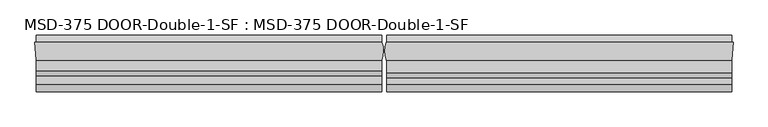
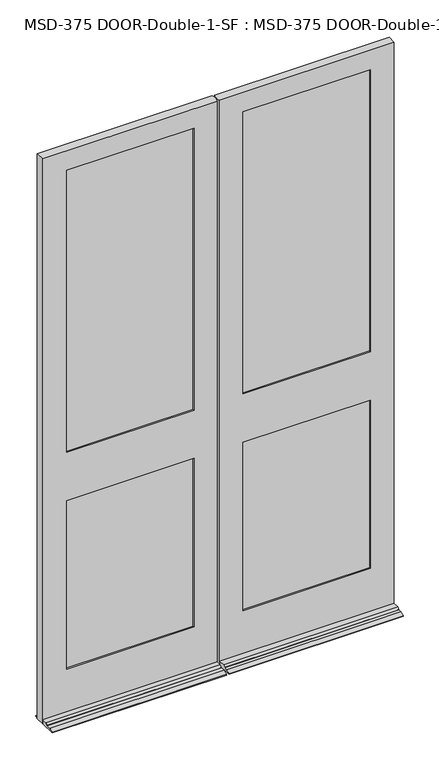
"""IFC4 building model written with IfcOpenShell, lengths in millimetres: plate geometry, MSD-375 DOOR-Double-1-SF : MSD-375 DOOR-Double-1-SF."""

from ifc_helpers import new_model, si_unit, frame, origin, place, context, project, spatial, polyline, circle_curve, outline, extrude, source, transform, mapped, element, save
from ifc_brep_helpers import plane_surface, cylinder_surface, advanced_brep


def msd_375_door_double_1_sf_msd_375_door_double_1_sf_36adc511(model_context):
    return source(origin(), model_context, "Body", "SolidModel", [
        advanced_brep(
        [(-875.0542327, -44.45, 0.0), (-877.8228327, 0.0, 0.0), (-874.8313901, 0.0, 0.0), (-874.8313901, 19.05, 0.0), (-6.1450388, 19.05, 0.0), (-6.1450388, 0.0, 0.0), (-5.5889985, 0.0, 0.0), (-6.1450388, -44.45, 0.0), (-6.1450388, -123.825, 0.0), (-874.8313901, -123.825, 0.0), (-874.8313901, -44.45, 0.0), (-6.1450388, -44.45, 21.4376), (-6.1450388, -70.3199, 21.4376), (-6.1450388, -82.7405, 14.2748), (-6.1450388, -82.7405, 12.7), (-6.1450388, -104.775, 12.7), (-6.1450388, -123.825, 3.175), (-6.1450388, 19.05, 3.175), (-6.1450388, 0.0, 12.7), (-874.8313901, 0.0, 12.7), (-874.8313901, 19.05, 3.175), (-874.8313901, -123.825, 3.175), (-874.8313901, -104.775, 12.7), (-874.8313901, -82.7405, 12.7), (-874.8313901, -82.7405, 14.2748), (-874.8313901, -70.3199, 21.4376), (-874.8313901, -44.45, 21.4376), (-122.2373508, -11.6078, 1366.0374), (-122.2373508, -37.0078, 1366.0374), (-122.2373508, -37.0078, 1151.7122), (-122.2373508, -11.6078, 1151.7122), (-122.2373508, 0.0, 1131.8748), (-122.2373508, 0.0, 246.0625), (-122.2373508, -11.6078, 246.0625), (-122.2373508, -11.6078, 1131.8748), (-122.2373508, -11.6078, 1385.8748), (-122.2373508, -11.6078, 2870.2), (-122.2373508, 0.0, 2870.2), (-122.2373508, 0.0, 1385.8748), (-102.3999508, -37.0078, 2890.0374), (-102.3999508, -11.6078, 2890.0374), (-102.3999508, -11.6078, 226.21875), (-102.3999508, -37.0078, 226.21875), (-122.2373508, -37.0078, 1131.8748), (-122.2373508, -37.0078, 246.0625), (-122.2373508, -44.45, 246.0625), (-122.2373508, -44.45, 1131.8748), (-122.2373508, -44.45, 1385.8748), (-122.2373508, -44.45, 2870.2), (-122.2373508, -37.0078, 2870.2), (-122.2373508, -37.0078, 1385.8748), (-757.1728327, -44.45, 246.0625), (-757.1728327, -37.0078, 246.0625), (-757.1728327, -37.0078, 1131.8748), (-757.1728327, -44.45, 1131.8748), (-757.1728327, -37.0078, 2870.2), (-757.1728327, -44.45, 2870.2), (-757.1728327, -44.45, 1385.8748), (-757.1728327, -37.0078, 1385.8748), (-777.0102327, -11.6078, 2890.0374), (-777.0102327, -37.0078, 2890.0374), (-777.0102327, -37.0078, 226.21875), (-777.0102327, -11.6078, 226.21875), (-757.1728327, -11.6078, 246.0625), (-757.1728327, 0.0, 246.0625), (-757.1728327, 0.0, 1131.8748), (-757.1728327, -11.6078, 1131.8748), (-757.1728327, 0.0, 2870.2), (-757.1728327, -11.6078, 2870.2), (-757.1728327, -11.6078, 1385.8748), (-757.1728327, 0.0, 1385.8748), (-757.1728327, -11.6078, 1366.0374), (-757.1728327, -37.0078, 1366.0374), (-757.1728327, -37.0078, 1151.7122), (-757.1728327, -11.6078, 1151.7122), (-5.5889985, 0.0, 2971.8), (-6.1450388, -44.45, 2971.8), (-875.0542327, -44.45, 2971.8), (-877.8228327, 0.0, 2971.8)],
        [
            (0, 1),
            (1, 2),
            (2, 3),
            (3, 4),
            (4, 5),
            (5, 6),
            (6, 7, circle_curve(frame((-61.4514685, -21.529675, 0.0), z_axis=(0.0, 0.0, -1.0), x_axis=(0.0, -1.0, 0.0)), 59.867708)),
            (7, 8),
            (8, 9),
            (9, 10),
            (10, 0),
            (11, 12),
            (12, 13),
            (13, 14),
            (14, 15),
            (15, 16),
            (16, 8),
            (7, 11),
            (4, 17),
            (17, 18),
            (18, 5),
            (19, 20),
            (20, 3),
            (2, 19),
            (9, 21),
            (21, 22),
            (22, 23),
            (23, 24),
            (24, 25),
            (25, 26),
            (26, 10),
            (27, 28),
            (28, 29),
            (29, 30),
            (30, 27),
            (31, 32),
            (32, 33),
            (33, 34),
            (34, 31),
            (35, 36),
            (36, 37),
            (37, 38),
            (38, 35),
            (39, 40),
            (40, 41),
            (41, 42),
            (42, 39),
            (43, 44),
            (44, 45),
            (45, 46),
            (46, 43),
            (47, 48),
            (48, 49),
            (49, 50),
            (50, 47),
            (51, 52),
            (52, 53),
            (53, 54),
            (54, 51),
            (55, 56),
            (56, 57),
            (57, 58),
            (58, 55),
            (59, 60),
            (60, 61),
            (61, 62),
            (62, 59),
            (63, 64),
            (64, 65),
            (65, 66),
            (66, 63),
            (67, 68),
            (68, 69),
            (69, 70),
            (70, 67),
            (63, 33),
            (32, 64),
            (61, 42),
            (41, 62),
            (51, 45),
            (44, 52),
            (11, 26),
            (25, 12),
            (24, 13),
            (23, 14),
            (22, 15),
            (21, 16),
            (20, 17),
            (19, 18),
            (38, 70),
            (69, 35),
            (27, 71),
            (71, 72),
            (72, 28),
            (50, 58),
            (57, 47),
            (46, 54),
            (53, 43),
            (29, 73),
            (73, 74),
            (74, 30),
            (34, 66),
            (65, 31),
            (75, 76, circle_curve(frame((-61.4514685, -21.529675, 2971.8), z_axis=(0.0, 0.0, -1.0), x_axis=(0.0, -1.0, 0.0)), 59.867708)),
            (76, 11),
            (6, 75),
            (77, 78),
            (78, 1),
            (0, 77),
            (78, 75),
            (37, 67),
            (36, 68),
            (40, 59),
            (74, 71),
            (39, 60),
            (49, 55),
            (72, 73),
            (48, 56),
            (76, 77),
        ],
        [
            plane_surface(frame((-882.65, -24.3078, 0.0), z_axis=(0.0, 0.0, -1.0), x_axis=(0.0, -1.0, 0.0))),
            plane_surface(frame((-6.1450388, -24.3078, 0.0), z_axis=(1.0, 0.0, 0.0), x_axis=(0.0, -1.0, 0.0))),
            plane_surface(frame((-874.8313901, -24.3078, 0.0), z_axis=(-1.0, 0.0, 0.0), x_axis=(0.0, -1.0, 0.0))),
            plane_surface(frame((-122.2373508, -24.3078, 1492.25), z_axis=(1.0, 0.0, 0.0), x_axis=(0.0, -1.0, 0.0))),
            plane_surface(frame((-122.2373508, 0.0, 2971.8), z_axis=(-1.0, 0.0, 0.0), x_axis=(0.0, 0.0, -1.0))),
            plane_surface(frame((-102.3999508, -11.6078, 2971.8), z_axis=(-1.0, 0.0, 0.0), x_axis=(0.0, 0.0, -1.0))),
            plane_surface(frame((-122.2373508, -37.0078, 2971.8), z_axis=(-1.0, 0.0, 0.0), x_axis=(0.0, 0.0, -1.0))),
            plane_surface(frame((-757.1728327, -44.45, 2971.8), z_axis=(1.0, 0.0, 0.0), x_axis=(0.0, 0.0, -1.0))),
            plane_surface(frame((-777.0102327, -37.0078, 2971.8), z_axis=(1.0, 0.0, 0.0), x_axis=(0.0, 0.0, -1.0))),
            plane_surface(frame((-757.1728327, -11.6078, 2971.8), z_axis=(1.0, 0.0, 0.0), x_axis=(0.0, 0.0, -1.0))),
            plane_surface(frame((-6.1450388, 0.0, 246.0625), z_axis=(0.0, 0.0, 1.0), x_axis=(-1.0, 0.0, 0.0))),
            plane_surface(frame((-6.1450388, -11.6078, 226.21875), z_axis=(0.0, 0.0, 1.0), x_axis=(-1.0, 0.0, 0.0))),
            plane_surface(frame((-6.1450388, -37.0078, 246.0625), z_axis=(0.0, 0.0, 1.0), x_axis=(-1.0, 0.0, 0.0))),
            plane_surface(frame((-6.1450388, -44.45, 21.4376), z_axis=(0.0, 0.0, 1.0), x_axis=(-1.0, 0.0, 0.0))),
            plane_surface(frame((-6.1450388, -70.3199, 21.4376), z_axis=(0.0, -0.499569084188723, 0.8662740502420933), x_axis=(-1.0, 0.0, 0.0))),
            plane_surface(frame((-6.1450388, -82.7405, 14.2748), z_axis=(0.0, -1.0, 0.0), x_axis=(-1.0, 0.0, 0.0))),
            plane_surface(frame((-6.1450388, -82.7405, 12.7), z_axis=(0.0, 0.0, 1.0), x_axis=(-1.0, 0.0, 0.0))),
            plane_surface(frame((-6.1450388, -104.775, 12.7), z_axis=(0.0, -0.44721359549995665, 0.8944271909999165), x_axis=(-1.0, 0.0, 0.0))),
            plane_surface(frame((-6.1450388, -123.825, 3.175), z_axis=(0.0, -1.0, 0.0), x_axis=(-1.0, 0.0, 0.0))),
            plane_surface(frame((-6.1450388, 19.05, 0.0), z_axis=(0.0, 1.0, 0.0), x_axis=(-1.0, 0.0, 0.0))),
            plane_surface(frame((-6.1450388, 19.05, 3.175), z_axis=(0.0, 0.4472135954998658, 0.8944271909999619), x_axis=(-1.0, 0.0, 0.0))),
            plane_surface(frame((-122.2373508, 0.0, 1385.8748), z_axis=(0.0, 0.0, 1.0), x_axis=(-1.0, 0.0, 0.0))),
            plane_surface(frame((-122.2373508, -11.6078, 1366.0374), z_axis=(0.0, 0.0, 1.0), x_axis=(-1.0, 0.0, 0.0))),
            plane_surface(frame((-122.2373508, -37.0078, 1385.8748), z_axis=(0.0, 0.0, 1.0), x_axis=(-1.0, 0.0, 0.0))),
            plane_surface(frame((-122.2373508, -44.45, 1131.8748), z_axis=(0.0, 0.0, -1.0), x_axis=(-1.0, 0.0, 0.0))),
            plane_surface(frame((-122.2373508, -37.0078, 1151.7122), z_axis=(0.0, 0.0, -1.0), x_axis=(-1.0, 0.0, 0.0))),
            plane_surface(frame((-122.2373508, -11.6078, 1131.8748), z_axis=(0.0, 0.0, -1.0), x_axis=(-1.0, 0.0, 0.0))),
            cylinder_surface(frame((-61.4514685, -21.529675, 2971.8), z_axis=(0.0, 0.0, 1.0), x_axis=(0.0, -1.0, 0.0)), 59.867708),
            plane_surface(frame((-877.8228327, 0.0, 2971.8), z_axis=(-0.9980658706879192, -0.06216524565998223, 0.0), x_axis=(0.0, 0.0, -1.0))),
            plane_surface(frame((-875.0542327, 0.0, 2971.8), z_axis=(0.0, 1.0, 0.0), x_axis=(1.0, 0.0, 0.0))),
            plane_surface(frame((-875.0542327, 0.0, 2870.2), z_axis=(0.0, 0.0, -1.0), x_axis=(1.0, 0.0, 0.0))),
            plane_surface(frame((-875.0542327, -11.6078, 2870.2), z_axis=(0.0, -1.0, 0.0), x_axis=(1.0, 0.0, 0.0))),
            plane_surface(frame((-875.0542327, -11.6078, 2890.0374), z_axis=(0.0, 0.0, -1.0), x_axis=(1.0, 0.0, 0.0))),
            plane_surface(frame((-875.0542327, -37.0078, 2890.0374), z_axis=(0.0, 1.0, 0.0), x_axis=(1.0, 0.0, 0.0))),
            plane_surface(frame((-875.0542327, -37.0078, 2870.2), z_axis=(0.0, 0.0, -1.0), x_axis=(1.0, 0.0, 0.0))),
            plane_surface(frame((-875.0542327, -44.45, 2870.2), z_axis=(0.0, -1.0, 0.0), x_axis=(1.0, 0.0, 0.0))),
            plane_surface(frame((-875.0542327, -44.45, 2971.8), z_axis=(0.0, 0.0, 1.0), x_axis=(1.0, 0.0, 0.0))),
            plane_surface(frame((-757.1728327, -24.3078, 1492.25), z_axis=(-1.0, 0.0, 0.0), x_axis=(0.0, -1.0, 0.0))),
        ],
        [
            (0, [[1, 2, 3, 4, 5, 6, 7, 8, 9, 10, 11]]),
            (1, [[12, 13, 14, 15, 16, 17, -8, 18]]),
            (1, [[19, 20, 21, -5]]),
            (2, [[22, 23, -3, 24]]),
            (2, [[25, 26, 27, 28, 29, 30, 31, -10]]),
            (3, [[32, 33, 34, 35]]),
            (4, [[36, 37, 38, 39]]),
            (4, [[40, 41, 42, 43]]),
            (5, [[44, 45, 46, 47]]),
            (6, [[48, 49, 50, 51]]),
            (6, [[52, 53, 54, 55]]),
            (7, [[56, 57, 58, 59]]),
            (7, [[60, 61, 62, 63]]),
            (8, [[64, 65, 66, 67]]),
            (9, [[68, 69, 70, 71]]),
            (9, [[72, 73, 74, 75]]),
            (10, [[-68, 76, -37, 77]]),
            (11, [[-66, 78, -46, 79]]),
            (12, [[-56, 80, -49, 81]]),
            (13, [[-12, 82, -30, 83]]),
            (14, [[-13, -83, -29, 84]]),
            (15, [[-14, -84, -28, 85]]),
            (16, [[-15, -85, -27, 86]]),
            (17, [[-16, -86, -26, 87]]),
            (18, [[-17, -87, -25, -9]]),
            (19, [[-19, -4, -23, 88]]),
            (20, [[-20, -88, -22, 89]]),
            (21, [[90, -74, 91, -43]]),
            (22, [[-32, 92, 93, 94]]),
            (23, [[95, -62, 96, -55]]),
            (24, [[97, -58, 98, -51]]),
            (25, [[-34, 99, 100, 101]]),
            (26, [[102, -70, 103, -39]]),
            (27, [[104, 105, -18, -7, 106]]),
            (28, [[107, 108, -1, 109]]),
            (29, [[-108, 110, -106, -6, -21, -89, -24, -2], [-90, -42, 111, -75], [-103, -69, -77, -36]]),
            (30, [[-72, -111, -41, 112]]),
            (31, [[-67, -79, -45, 113], [-92, -35, -101, 114], [-102, -38, -76, -71], [-91, -73, -112, -40]]),
            (32, [[-64, -113, -44, 115]]),
            (33, [[-65, -115, -47, -78], [-95, -54, 116, -63], [-94, 117, -99, -33], [-98, -57, -81, -48]]),
            (34, [[-60, -116, -53, 118]]),
            (35, [[-109, -11, -31, -82, -105, 119], [-97, -50, -80, -59], [-96, -61, -118, -52]]),
            (36, [[-107, -119, -104, -110]]),
            (37, [[-100, -117, -93, -114]]),
        ],
    ),
        advanced_brep(
        [(6.1450388, -44.45, 0.0), (5.5889985, 0.0, 0.0), (6.1450388, 0.0, 0.0), (6.1450388, 19.05, 0.0), (874.3187994, 19.05, 0.0), (874.3187994, 0.0, 0.0), (877.310242, 0.0, 0.0), (874.541642, -44.45, 0.0), (874.3187994, -44.45, 0.0), (874.3187994, -123.825, 0.0), (6.1450388, -123.825, 0.0), (874.3187994, -44.45, 21.4376), (874.3187994, -75.87615, 21.4376), (874.3187994, -88.29675, 14.2748), (874.3187994, -88.29675, 12.7), (874.3187994, -104.775, 12.7), (874.3187994, -123.825, 3.175), (874.3187994, 19.05, 3.175), (874.3187994, 0.0, 12.7), (6.1450388, 0.0, 12.7), (6.1450388, 19.05, 3.175), (6.1450388, -123.825, 3.175), (6.1450388, -104.775, 12.7), (6.1450388, -88.29675, 12.7), (6.1450388, -88.29675, 14.2748), (6.1450388, -75.87615, 21.4376), (6.1450388, -44.45, 21.4376), (5.5889985, -44.45, 2870.2), (5.5889985, -44.45, 2971.8), (5.5889985, -43.05935, 2971.8), (5.5889985, -43.05935, 2870.2), (122.2376492, -37.0078, 1366.0374), (122.2376492, -11.6078, 1366.0374), (122.2376492, -11.6078, 1151.7249), (122.2376492, -37.0078, 1151.7249), (122.2376492, -37.0078, 2870.2), (122.2376492, -44.45, 2870.2), (122.2376492, -44.45, 1385.8748), (122.2376492, -37.0078, 1385.8748), (122.2376492, -37.0078, 1131.8748), (122.2376492, -44.45, 1131.8748), (122.2376492, -44.45, 246.0625), (122.2376492, -37.0078, 246.0625), (102.4002492, -11.6078, 226.21875), (102.4002492, -11.6078, 2890.0374), (102.4002492, -37.0078, 2890.0374), (102.4002492, -37.0078, 226.21875), (122.2376492, 0.0, 2870.2), (122.2376492, -11.6078, 2870.2), (122.2376492, -11.6078, 1385.8748), (122.2376492, 0.0, 1385.8748), (122.2376492, 0.0, 1131.8748), (122.2376492, -11.6078, 1131.8748), (122.2376492, -11.6078, 246.0625), (122.2376492, 0.0, 246.0625), (756.660242, -11.6078, 2870.2), (756.660242, 0.0, 2870.2), (756.660242, 0.0, 1385.8748), (756.660242, -11.6078, 1385.8748), (756.660242, -11.6078, 1131.8748), (756.660242, 0.0, 1131.8748), (756.660242, 0.0, 246.0625), (756.660242, -11.6078, 246.0625), (776.497642, -11.6078, 2890.0374), (776.497642, -11.6078, 226.21875), (756.660242, -11.6078, 1151.7249), (756.660242, -11.6078, 1366.0374), (776.497642, -37.0078, 226.21875), (776.497642, -37.0078, 2890.0374), (756.660242, -37.0078, 246.0625), (756.660242, -37.0078, 1131.8748), (756.660242, -37.0078, 2870.2), (756.660242, -37.0078, 1385.8748), (756.660242, -37.0078, 1151.7249), (756.660242, -37.0078, 1366.0374), (756.660242, -44.45, 2870.2), (756.660242, -44.45, 1385.8748), (756.660242, -44.45, 1131.8748), (756.660242, -44.45, 246.0625), (6.1450388, -44.45, 2870.2), (874.541642, -44.45, 2971.8), (877.310242, 0.0, 2971.8), (5.5889985, 0.0, 2971.8)],
        [
            (0, 1, circle_curve(frame((61.4514685, -21.529675, 0.0), z_axis=(0.0, 0.0, -1.0), x_axis=(0.0, -1.0, 0.0)), 59.867708)),
            (1, 2),
            (2, 3),
            (3, 4),
            (4, 5),
            (5, 6),
            (6, 7),
            (7, 8),
            (8, 9),
            (9, 10),
            (10, 0),
            (11, 12),
            (12, 13),
            (13, 14),
            (14, 15),
            (15, 16),
            (16, 9),
            (8, 11),
            (4, 17),
            (17, 18),
            (18, 5),
            (19, 20),
            (20, 3),
            (2, 19),
            (10, 21),
            (21, 22),
            (22, 23),
            (23, 24),
            (24, 25),
            (25, 26),
            (26, 0),
            (27, 28),
            (28, 29),
            (29, 30),
            (30, 27),
            (31, 32),
            (32, 33),
            (33, 34),
            (34, 31),
            (35, 36),
            (36, 37),
            (37, 38),
            (38, 35),
            (39, 40),
            (40, 41),
            (41, 42),
            (42, 39),
            (43, 44),
            (44, 45),
            (45, 46),
            (46, 43),
            (47, 48),
            (48, 49),
            (49, 50),
            (50, 47),
            (51, 52),
            (52, 53),
            (53, 54),
            (54, 51),
            (55, 56),
            (56, 57),
            (57, 58),
            (58, 55),
            (59, 60),
            (60, 61),
            (61, 62),
            (62, 59),
            (63, 44),
            (43, 64),
            (64, 63),
            (62, 53),
            (52, 59),
            (48, 55),
            (58, 49),
            (65, 33),
            (32, 66),
            (66, 65),
            (67, 68),
            (68, 63),
            (64, 67),
            (45, 68),
            (67, 46),
            (42, 69),
            (69, 70),
            (70, 39),
            (71, 35),
            (38, 72),
            (72, 71),
            (34, 73),
            (73, 74),
            (74, 31),
            (75, 71),
            (72, 76),
            (76, 75),
            (77, 70),
            (69, 78),
            (78, 77),
            (27, 79),
            (79, 26),
            (26, 11),
            (7, 80),
            (80, 28),
            (78, 41),
            (40, 77),
            (36, 75),
            (76, 37),
            (81, 80),
            (6, 81),
            (18, 19),
            (1, 82),
            (82, 81),
            (54, 61),
            (60, 51),
            (56, 47),
            (50, 57),
            (30, 79, circle_curve(frame((61.4514685, -21.529675, 2870.2), z_axis=(0.0, 0.0, 1.0), x_axis=(0.0, -1.0, 0.0)), 59.867708)),
            (25, 12),
            (65, 73),
            (74, 66),
            (29, 82, circle_curve(frame((61.4514685, -21.529675, 2971.8), z_axis=(0.0, 0.0, -1.0), x_axis=(0.0, -1.0, 0.0)), 59.867708)),
            (24, 13),
            (23, 14),
            (22, 15),
            (21, 16),
            (20, 17),
        ],
        [
            plane_surface(frame((-882.65, -24.3078, 0.0), z_axis=(0.0, 0.0, -1.0), x_axis=(0.0, -1.0, 0.0))),
            plane_surface(frame((874.3187994, -24.3078, 0.0), z_axis=(1.0, 0.0, 0.0), x_axis=(0.0, -1.0, 0.0))),
            plane_surface(frame((6.1450388, -24.3078, 0.0), z_axis=(-1.0, 0.0, 0.0), x_axis=(0.0, -1.0, 0.0))),
            plane_surface(frame((5.5889985, -24.3078, 2984.5), z_axis=(-1.0, 0.0, 0.0), x_axis=(0.0, -1.0, 0.0))),
            plane_surface(frame((122.2376492, -24.3078, 1492.25), z_axis=(-1.0, 0.0, 0.0), x_axis=(0.0, -1.0, 0.0))),
            plane_surface(frame((122.2376492, -44.45, 2971.8), z_axis=(1.0, 0.0, 0.0), x_axis=(0.0, 0.0, -1.0))),
            plane_surface(frame((102.4002492, -37.0078, 2971.8), z_axis=(1.0, 0.0, 0.0), x_axis=(0.0, 0.0, -1.0))),
            plane_surface(frame((122.2376492, -11.6078, 2971.8), z_axis=(1.0, 0.0, 0.0), x_axis=(0.0, 0.0, -1.0))),
            plane_surface(frame((756.660242, 0.0, 2971.8), z_axis=(-1.0, 0.0, 0.0), x_axis=(0.0, 0.0, -1.0))),
            plane_surface(frame((756.660242, -11.6078, 2971.8), z_axis=(0.0, -1.0, 0.0), x_axis=(0.0, 0.0, -1.0))),
            plane_surface(frame((776.497642, -11.6078, 2971.8), z_axis=(-1.0, 0.0, 0.0), x_axis=(0.0, 0.0, -1.0))),
            plane_surface(frame((776.497642, -37.0078, 2971.8), z_axis=(0.0, 1.0, 0.0), x_axis=(0.0, 0.0, -1.0))),
            plane_surface(frame((756.660242, -37.0078, 2971.8), z_axis=(-1.0, 0.0, 0.0), x_axis=(0.0, 0.0, -1.0))),
            plane_surface(frame((756.660242, -44.45, 2971.8), z_axis=(0.0, -1.0, 0.0), x_axis=(0.0, 0.0, -1.0))),
            plane_surface(frame((874.541642, -44.45, 2971.8), z_axis=(0.9980658706879184, -0.062165245659993755, 0.0), x_axis=(0.0, 0.0, -1.0))),
            plane_surface(frame((877.310242, 0.0, 2971.8), z_axis=(0.0, 1.0, 0.0), x_axis=(0.0, 0.0, -1.0))),
            plane_surface(frame((5.5889985, 0.0, 2870.2), z_axis=(0.0, 0.0, -1.0), x_axis=(1.0, 0.0, 0.0))),
            plane_surface(frame((5.5889985, -11.6078, 2890.0374), z_axis=(0.0, 0.0, -1.0), x_axis=(1.0, 0.0, 0.0))),
            plane_surface(frame((5.5889985, -37.0078, 2870.2), z_axis=(0.0, 0.0, -1.0), x_axis=(1.0, 0.0, 0.0))),
            plane_surface(frame((874.3187994, 0.0, 246.0625), z_axis=(0.0, 0.0, 1.0), x_axis=(-1.0, 0.0, 0.0))),
            plane_surface(frame((874.3187994, -11.6078, 226.21875), z_axis=(0.0, 0.0, 1.0), x_axis=(-1.0, 0.0, 0.0))),
            plane_surface(frame((874.3187994, -37.0078, 246.0625), z_axis=(0.0, 0.0, 1.0), x_axis=(-1.0, 0.0, 0.0))),
            plane_surface(frame((874.3187994, -44.45, 21.4376), z_axis=(0.0, 0.0, 1.0), x_axis=(-1.0, 0.0, 0.0))),
            plane_surface(frame((756.660242, -44.45, 1131.8748), z_axis=(0.0, 0.0, -1.0), x_axis=(-1.0, 0.0, 0.0))),
            plane_surface(frame((756.660242, -37.0078, 1151.7249), z_axis=(0.0, 0.0, -1.0), x_axis=(-1.0, 0.0, 0.0))),
            plane_surface(frame((756.660242, -11.6078, 1131.8748), z_axis=(0.0, 0.0, -1.0), x_axis=(-1.0, 0.0, 0.0))),
            plane_surface(frame((756.660242, 0.0, 1385.8748), z_axis=(0.0, 0.0, 1.0), x_axis=(-1.0, 0.0, 0.0))),
            plane_surface(frame((756.660242, -11.6078, 1366.0374), z_axis=(0.0, 0.0, 1.0), x_axis=(-1.0, 0.0, 0.0))),
            plane_surface(frame((756.660242, -37.0078, 1385.8748), z_axis=(0.0, 0.0, 1.0), x_axis=(-1.0, 0.0, 0.0))),
            cylinder_surface(frame((61.4514685, -21.529675, 2971.8), z_axis=(0.0, 0.0, 1.0), x_axis=(0.0, -1.0, 0.0)), 59.867708),
            plane_surface(frame((-875.0542327, -44.45, 2971.8), z_axis=(0.0, 0.0, 1.0), x_axis=(1.0, 0.0, 0.0))),
            plane_surface(frame((874.3187994, -75.87615, 21.4376), z_axis=(0.0, -0.49956908418867013, 0.8662740502421237), x_axis=(-1.0, 0.0, 0.0))),
            plane_surface(frame((874.3187994, -88.29675, 14.2748), z_axis=(0.0, -1.0, 0.0), x_axis=(-1.0, 0.0, 0.0))),
            plane_surface(frame((874.3187994, -88.29675, 12.7), z_axis=(0.0, 0.0, 1.0), x_axis=(-1.0, 0.0, 0.0))),
            plane_surface(frame((874.3187994, -104.775, 12.7), z_axis=(0.0, -0.44721359549996115, 0.8944271909999144), x_axis=(-1.0, 0.0, 0.0))),
            plane_surface(frame((874.3187994, -123.825, 3.175), z_axis=(0.0, -1.0, 0.0), x_axis=(-1.0, 0.0, 0.0))),
            plane_surface(frame((874.3187994, 19.05, 0.0), z_axis=(0.0, 1.0, 0.0), x_axis=(-1.0, 0.0, 0.0))),
            plane_surface(frame((874.3187994, 19.05, 3.175), z_axis=(0.0, 0.4472135954999116, 0.8944271909999391), x_axis=(-1.0, 0.0, 0.0))),
            plane_surface(frame((756.660242, -24.3078, 1492.25), z_axis=(1.0, 0.0, 0.0), x_axis=(0.0, -1.0, 0.0))),
        ],
        [
            (0, [[1, 2, 3, 4, 5, 6, 7, 8, 9, 10, 11]]),
            (1, [[12, 13, 14, 15, 16, 17, -9, 18]]),
            (1, [[19, 20, 21, -5]]),
            (2, [[22, 23, -3, 24]]),
            (2, [[25, 26, 27, 28, 29, 30, 31, -11]]),
            (3, [[32, 33, 34, 35]]),
            (4, [[36, 37, 38, 39]]),
            (5, [[40, 41, 42, 43]]),
            (5, [[44, 45, 46, 47]]),
            (6, [[48, 49, 50, 51]]),
            (7, [[52, 53, 54, 55]]),
            (7, [[56, 57, 58, 59]]),
            (8, [[60, 61, 62, 63]]),
            (8, [[64, 65, 66, 67]]),
            (9, [[68, -48, 69, 70], [-67, 71, -57, 72], [73, -63, 74, -53], [75, -37, 76, 77]]),
            (10, [[78, 79, -70, 80]]),
            (11, [[81, -78, 82, -50], [-47, 83, 84, 85], [86, -43, 87, 88], [89, 90, 91, -39]]),
            (12, [[92, -88, 93, 94]]),
            (12, [[95, -84, 96, 97]]),
            (13, [[-32, 98, 99, 100, -18, -8, 101, 102], [-97, 103, -45, 104], [105, -94, 106, -41]]),
            (14, [[107, -101, -7, 108]]),
            (15, [[-108, -6, -21, 109, -24, -2, 110, 111], [-59, 112, -65, 113], [114, -55, 115, -61]]),
            (16, [[-73, -52, -114, -60]]),
            (17, [[-79, -81, -49, -68]]),
            (18, [[-98, -35, 116]]),
            (18, [[-105, -40, -86, -92]]),
            (19, [[-112, -58, -71, -66]]),
            (20, [[-82, -80, -69, -51]]),
            (21, [[-83, -46, -103, -96]]),
            (22, [[-12, -100, -30, 117]]),
            (23, [[-104, -44, -85, -95]]),
            (24, [[118, -89, -38, -75]]),
            (25, [[-72, -56, -113, -64]]),
            (26, [[-115, -54, -74, -62]]),
            (27, [[119, -76, -36, -91]]),
            (28, [[-106, -93, -87, -42]]),
            (29, [[-1, -31, -99, -116, -34, 120, -110]]),
            (30, [[-107, -111, -120, -33, -102]]),
            (31, [[-13, -117, -29, 121]]),
            (32, [[-14, -121, -28, 122]]),
            (33, [[-15, -122, -27, 123]]),
            (34, [[-16, -123, -26, 124]]),
            (35, [[-17, -124, -25, -10]]),
            (36, [[-19, -4, -23, 125]]),
            (37, [[-109, -20, -125, -22]]),
            (38, [[-118, -77, -119, -90]]),
        ],
    ),
        extrude(outline(polyline([(-777.0102327, -11.6078), (-102.4001, -11.6078), (-102.4001, -16.6878), (-777.0102327, -16.6878), (-777.0102327, -11.6078)])), frame((0.0, 0.0, 226.21875), z_axis=(0.0, 0.0, 1.0), x_axis=(1.0, 0.0, 0.0)), (0.0, 0.0, 1.0), 925.50615),
        extrude(outline(polyline([(-102.4001, -26.0858), (-102.4001, -31.1658), (-777.0102327, -31.1658), (-777.0102327, -26.0858), (-102.4001, -26.0858)])), frame((0.0, 0.0, 226.21875), z_axis=(0.0, 0.0, 1.0), x_axis=(1.0, 0.0, 0.0)), (0.0, 0.0, 1.0), 925.50615),
        extrude(outline(polyline([(-777.0102327, -31.9278), (-102.4001, -31.9278), (-102.4001, -37.0078), (-777.0102327, -37.0078), (-777.0102327, -31.9278)])), frame((0.0, 0.0, 226.21875), z_axis=(0.0, 0.0, 1.0), x_axis=(1.0, 0.0, 0.0)), (0.0, 0.0, 1.0), 925.50615),
        extrude(outline(polyline([(102.4002492, -11.6078), (776.497642, -11.6078), (776.497642, -16.6878), (102.4002492, -16.6878), (102.4002492, -11.6078)])), frame((0.0, 0.0, 226.21875), z_axis=(0.0, 0.0, 1.0), x_axis=(1.0, 0.0, 0.0)), (0.0, 0.0, 1.0), 925.50615),
        extrude(outline(polyline([(776.497642, -26.0858), (776.497642, -31.1658), (102.4002492, -31.1658), (102.4002492, -26.0858), (776.497642, -26.0858)])), frame((0.0, 0.0, 226.21875), z_axis=(0.0, 0.0, 1.0), x_axis=(1.0, 0.0, 0.0)), (0.0, 0.0, 1.0), 925.50615),
        extrude(outline(polyline([(102.4002492, -31.9278), (776.497642, -31.9278), (776.497642, -37.0078), (102.4002492, -37.0078), (102.4002492, -31.9278)])), frame((0.0, 0.0, 226.21875), z_axis=(0.0, 0.0, 1.0), x_axis=(1.0, 0.0, 0.0)), (0.0, 0.0, 1.0), 925.50615),
        extrude(outline(polyline([(-777.0102327, -11.6078), (-102.3999508, -11.6078), (-102.3999508, -16.6878), (-777.0102327, -16.6878), (-777.0102327, -11.6078)])), frame((0.0, 0.0, 1366.0374), z_axis=(0.0, 0.0, 1.0), x_axis=(1.0, 0.0, 0.0)), (0.0, 0.0, 1.0), 1524.0),
        extrude(outline(polyline([(-102.4001, -26.0858), (-102.4001, -31.1658), (-777.0102327, -31.1658), (-777.0102327, -26.0858), (-102.4001, -26.0858)])), frame((0.0, 0.0, 1366.0374), z_axis=(0.0, 0.0, 1.0), x_axis=(1.0, 0.0, 0.0)), (0.0, 0.0, 1.0), 1524.0),
        extrude(outline(polyline([(-102.4001, -31.9278), (-102.4001, -37.0078), (-777.0102327, -37.0078), (-777.0102327, -31.9278), (-102.4001, -31.9278)])), frame((0.0, 0.0, 1366.0374), z_axis=(0.0, 0.0, 1.0), x_axis=(1.0, 0.0, 0.0)), (0.0, 0.0, 1.0), 1524.0),
        extrude(outline(polyline([(776.497642, -11.6078), (776.497642, -16.6878), (102.4002492, -16.6878), (102.4002492, -11.6078), (776.497642, -11.6078)])), frame((0.0, 0.0, 1366.0374), z_axis=(0.0, 0.0, 1.0), x_axis=(1.0, 0.0, 0.0)), (0.0, 0.0, 1.0), 1524.0),
        extrude(outline(polyline([(102.4002492, -26.0858), (776.497642, -26.0858), (776.497642, -31.1658), (102.4002492, -31.1658), (102.4002492, -26.0858)])), frame((0.0, 0.0, 1366.0374), z_axis=(0.0, 0.0, 1.0), x_axis=(1.0, 0.0, 0.0)), (0.0, 0.0, 1.0), 1524.0),
        extrude(outline(polyline([(776.497642, -31.9278), (776.497642, -37.0078), (102.4002492, -37.0078), (102.4002492, -31.9278), (776.497642, -31.9278)])), frame((0.0, 0.0, 1366.0374), z_axis=(0.0, 0.0, 1.0), x_axis=(1.0, 0.0, 0.0)), (0.0, 0.0, 1.0), 1524.0),
    ])


if __name__ == "__main__":
    model = new_model("IFC4")
    model_context = context("Model", 3, world=origin())
    ifc_project = project(units=[si_unit("LENGTHUNIT", "METRE", prefix="MILLI")], contexts=[model_context])
    site = spatial("IfcSite", under=ifc_project)
    building = spatial("IfcBuilding", under=site)
    placement = place(None, origin())
    msd_375_door_double_1_sf_msd_375_door_double_1_sf_shape = msd_375_door_double_1_sf_msd_375_door_double_1_sf_36adc511(model_context)
    element("IfcPlate", 1, ObjectType="MSD-375 DOOR-Double-1-SF : MSD-375 DOOR-Double-1-SF", at=placement, inside=building, context=model_context, shape_type="MappedRepresentation", body=[
        mapped(msd_375_door_double_1_sf_msd_375_door_double_1_sf_shape, transform((0.0, 0.0, 0.0), x_axis=(1.0, 0.0, 0.0), y_axis=(0.0, 1.0, 0.0), z_axis=(0.0, 0.0, 1.0))),
    ])
    save(model, "model.ifc")
